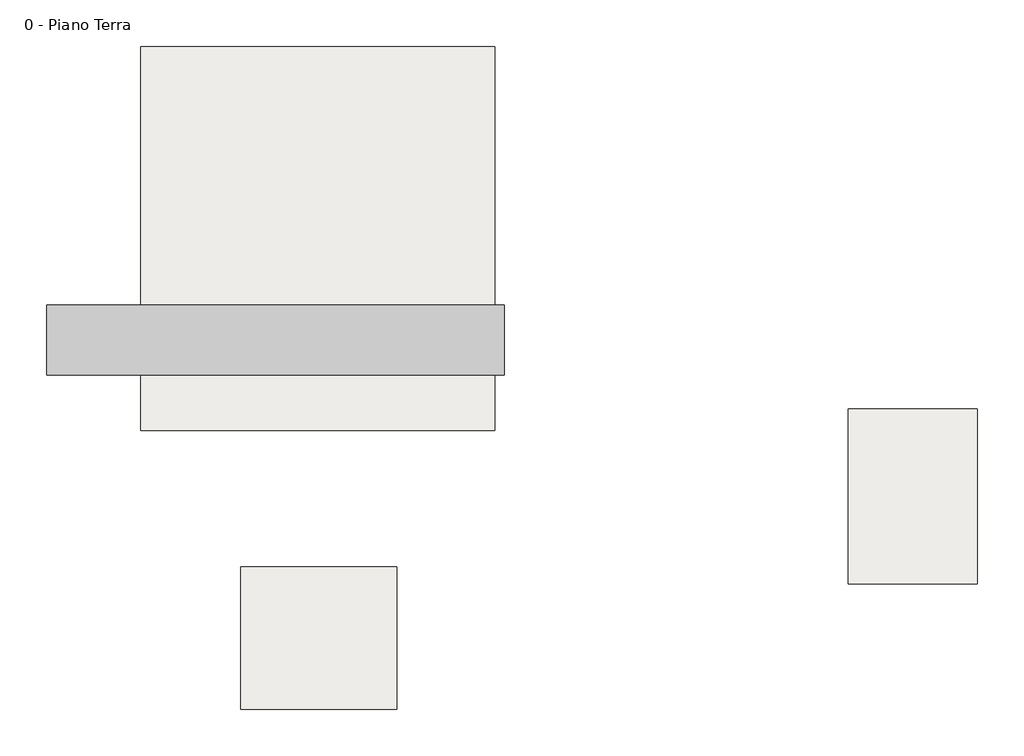
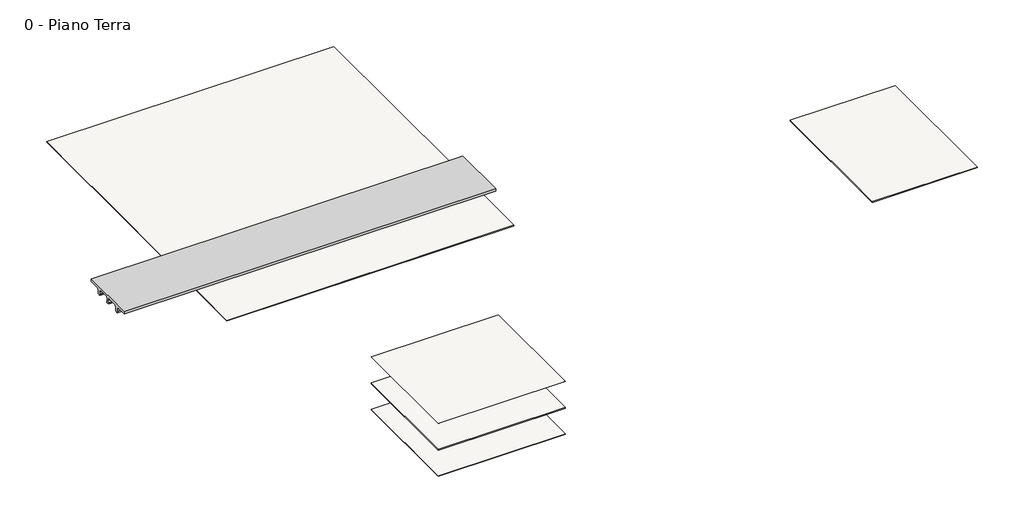
# One storey: 5 slabs, 1 proxy.
"""IFC4 building model written with IfcOpenShell, lengths in millimetres."""

import ifcopenshell
import ifcopenshell.guid

model = None  # the IFC model being written
_history = None  # IfcOwnerHistory: only IFC2X3 demands one
_inside = {}  # id of a spatial element -> (the spatial element, [elements in it])
_under = {}  # id of a project, library or spatial element -> (it, [spatial elements below it])
_declared = {}  # id of a project -> (the project, [libraries it declares])
_typed = {}  # id of a type object -> (the type object, [elements of that type])
_made_of = {}  # id of a material, layer set ... -> (it, [elements and type objects made of it])


def new_model(schema):
    """Start an empty IFC model of exactly this schema.

    Asked for "IFC4X3", IfcOpenShell would pick the latest addendum, in which some entities
    have other attributes; the version numbers below select the first issue.
    IFC2X3 requires an IfcOwnerHistory on every rooted entity: one is made here for all.
    """
    global model, _history
    if schema == "IFC4X3":
        model = ifcopenshell.file(schema_version=(4, 3, 0, 0))
    else:
        model = ifcopenshell.file(schema=schema)
    _inside.clear()
    _under.clear()
    _declared.clear()
    _typed.clear()
    _made_of.clear()
    _history = None
    if model.schema == "IFC2X3":
        org = make("IfcOrganization", Name="unknown")
        user = make(
            "IfcPersonAndOrganization",
            ThePerson=make("IfcPerson", FamilyName="unknown"),
            TheOrganization=org,
        )
        app = make(
            "IfcApplication",
            ApplicationDeveloper=org,
            Version="unknown",
            ApplicationFullName="unknown",
            ApplicationIdentifier="unknown",
        )
        _history = make(
            "IfcOwnerHistory",
            OwningUser=user,
            OwningApplication=app,
            ChangeAction="ADDED",
            CreationDate=0,
        )
    return model


def make(cls, **values):
    """One entity of the class cls with the attributes given. An attribute that is None is left unset."""
    return model.create_entity(
        cls, **{name: value for name, value in values.items() if value is not None}
    )


def rooted(cls, **values):
    """An entity with a GlobalId (a new one), such as an element, a storey or a relation."""
    return make(cls, GlobalId=ifcopenshell.guid.new(), OwnerHistory=_history, **values)


def si_unit(unit_type, name, prefix=None):
    """IfcSIUnit, for example si_unit("LENGTHUNIT", "METRE", prefix="MILLI")."""
    return make("IfcSIUnit", UnitType=unit_type, Prefix=prefix, Name=name)


def assignment(units):
    """IfcUnitAssignment: the units of a project."""
    return None if units is None else make("IfcUnitAssignment", Units=units)


def point(xyz):
    """IfcCartesianPoint."""
    return None if xyz is None else make("IfcCartesianPoint", Coordinates=xyz)


def direction(xyz):
    """IfcDirection."""
    return None if xyz is None else make("IfcDirection", DirectionRatios=xyz)


def frame(location, z_axis=None, x_axis=None):
    """IfcAxis2Placement3D, a coordinate frame: its origin and axes. An axis left out is left unset."""
    return make(
        "IfcAxis2Placement3D",
        Location=point(location),
        Axis=direction(z_axis),
        RefDirection=direction(x_axis),
    )


def origin():
    """The frame at (0, 0, 0) with its axes left unset."""
    return frame((0.0, 0.0, 0.0))


def place(relative_to, where):
    """IfcLocalPlacement: puts the frame where relative to a parent placement (None: the world)."""
    return make(
        "IfcLocalPlacement", PlacementRelTo=relative_to, RelativePlacement=where
    )


def context(
    kind, dimensions, precision=None, world=None, true_north=None, identifier=None
):
    """IfcGeometricRepresentationContext, for example the 3D "Model" context."""
    return make(
        "IfcGeometricRepresentationContext",
        ContextIdentifier=identifier,
        ContextType=kind,
        CoordinateSpaceDimension=dimensions,
        Precision=precision,
        WorldCoordinateSystem=world,
        TrueNorth=true_north,
    )


def project(units=None, contexts=None):
    """IfcProject with its units and contexts."""
    return rooted(
        "IfcProject",
        Name="project",
        RepresentationContexts=contexts,
        UnitsInContext=assignment(units),
    )


def spatial(cls, under=None, at=None, **own):
    """A site, building, storey or space (cls), placed at a placement, below another one or the project."""
    s = rooted(cls, ObjectPlacement=at, **own)
    if under is not None:
        _under.setdefault(under.id(), (under, []))[1].append(s)
    return s


def polyline(points):
    """IfcPolyline through the points."""
    return make("IfcPolyline", Points=[point(p) for p in points])


def outline(outer, holes=None, kind="AREA"):
    """IfcArbitraryClosedProfileDef: a profile drawn as a closed curve; with holes, ...WithVoids."""
    if holes is None:
        return make("IfcArbitraryClosedProfileDef", ProfileType=kind, OuterCurve=outer)
    return make(
        "IfcArbitraryProfileDefWithVoids",
        ProfileType=kind,
        OuterCurve=outer,
        InnerCurves=holes,
    )


def extrude(swept, where, along, depth):
    """IfcExtrudedAreaSolid: the profile swept, set in the frame where, extruded along a direction by depth."""
    return make(
        "IfcExtrudedAreaSolid",
        SweptArea=swept,
        Position=where,
        ExtrudedDirection=direction(along),
        Depth=depth,
    )


def shape(context_of_items, identifier, shape_type, items):
    """IfcShapeRepresentation: the items that make up one representation, for example the "Body"."""
    return make(
        "IfcShapeRepresentation",
        ContextOfItems=context_of_items,
        RepresentationIdentifier=identifier,
        RepresentationType=shape_type,
        Items=items,
    )


def source(mapping_origin, context_of_items, identifier, shape_type, items):
    """IfcRepresentationMap: a shape defined once, which mapped items show again and again."""
    return make(
        "IfcRepresentationMap",
        MappingOrigin=mapping_origin,
        MappedRepresentation=shape(context_of_items, identifier, shape_type, items),
    )


def transform(
    local_origin,
    x_axis=None,
    y_axis=None,
    z_axis=None,
    scale=None,
    scale2=None,
    scale3=None,
    uniform=True,
):
    """IfcCartesianTransformationOperator3D, or its non-uniform kind. x_axis, y_axis, z_axis: its Axis1, 2, 3."""
    if uniform:
        return make(
            "IfcCartesianTransformationOperator3D",
            Axis1=direction(x_axis),
            Axis2=direction(y_axis),
            LocalOrigin=point(local_origin),
            Scale=scale,
            Axis3=direction(z_axis),
        )
    return make(
        "IfcCartesianTransformationOperator3DnonUniform",
        Axis1=direction(x_axis),
        Axis2=direction(y_axis),
        LocalOrigin=point(local_origin),
        Scale=scale,
        Axis3=direction(z_axis),
        Scale2=scale2,
        Scale3=scale3,
    )


def mapped(mapping_source, mapping_target):
    """IfcMappedItem: shows the shape of a source again, moved by a transform."""
    return make(
        "IfcMappedItem", MappingSource=mapping_source, MappingTarget=mapping_target
    )


def made_of(thing, what):
    """Note that an element or type object is made of a material, layer set ...; save() writes the relation."""
    if what is not None:
        _made_of.setdefault(what.id(), (what, []))[1].append(thing)
    return thing


def element(
    cls,
    number,
    at=None,
    inside=None,
    cuts=None,
    type_object=None,
    material=None,
    context=None,
    identifier="Body",
    shape_type=None,
    held_by="IfcProductDefinitionShape",
    body=None,
    shapes=None,
    **own,
):
    """One element of the class cls, such as IfcWall. Its Tag is "e" and its number.

    at: its placement. inside: the storey or other place that contains it. cuts: it is an
    opening in that element (IfcRelVoidsElement). A single representation is given by context,
    identifier, shape_type and body (its items); several are given by shapes. held_by: the class
    of the entity that holds the representations. save() writes the other relations.
    """
    e = rooted(cls, Tag="e%d" % number, ObjectPlacement=at, **own)
    if body is not None:
        shapes = [shape(context, identifier, shape_type, body)]
    if shapes is not None:
        e.Representation = make(held_by, Representations=shapes)
    if inside is not None:
        _inside.setdefault(inside.id(), (inside, []))[1].append(e)
    if cuts is not None:
        rooted(
            "IfcRelVoidsElement", RelatingBuildingElement=cuts, RelatedOpeningElement=e
        )
    if type_object is not None:
        _typed.setdefault(type_object.id(), (type_object, []))[1].append(e)
    return made_of(e, material)


def aggregate(whole, parts):
    """IfcRelAggregates: a whole, such as a stair, and the parts it consists of."""
    return rooted("IfcRelAggregates", RelatingObject=whole, RelatedObjects=parts)


def save(model, path):
    """Write the relations noted so far, then the file.

    IfcRelAggregates (storeys below a building ...), IfcRelContainedInSpatialStructure (elements
    in a storey), IfcRelDefinesByType, IfcRelAssociatesMaterial and IfcRelDeclares: one each for
    every whole, place, type object, material and project.
    """
    for whole, parts in _under.values():
        aggregate(whole, parts)
    for where, things in _inside.values():
        rooted(
            "IfcRelContainedInSpatialStructure",
            RelatedElements=things,
            RelatingStructure=where,
        )
    for kind, things in _typed.values():
        rooted("IfcRelDefinesByType", RelatedObjects=things, RelatingType=kind)
    for what, things in _made_of.values():
        rooted("IfcRelAssociatesMaterial", RelatedObjects=things, RelatingMaterial=what)
    for by, libraries in _declared.values():
        rooted("IfcRelDeclares", RelatingContext=by, RelatedDefinitions=libraries)
    model.write(path)


def generic_models_1f5d59e9(model_context):
    return source(origin(), model_context, "Body", "SweptSolid", [
        extrude(outline(polyline([(11994.5031943, 200.0), (11974.5031943, 120.0), (11974.5031943, 50.0), (11986.5031943, 50.0), (11986.5031943, 10.0), (11882.5031943, 10.0), (11882.5031943, 49.9310943), (11894.5031943, 49.9310943), (11894.5031943, 119.9310943), (11873.8876661, 202.3932068), (11505.0166413, 202.3932068), (11484.4183395, 120.0), (11484.4183395, 50.0), (11496.4183395, 50.0), (11496.4183395, 10.0), (11392.4183395, 10.0), (11392.4183395, 49.9310943), (11404.4183395, 49.9310943), (11404.4183395, 119.9310943), (11383.8028114, 202.3932068), (11014.9317865, 202.3932068), (10994.3334848, 120.0), (10994.3334848, 50.0), (11006.3334848, 50.0), (11006.3334848, 10.0), (10902.3334848, 10.0), (10902.3334848, 49.9310943), (10914.3334848, 49.9310943), (10914.3334848, 119.9310943), (10893.7179567, 202.3932068), (10524.8469318, 202.3932068), (10524.8469318, 290.0), (12364.588049, 290.0), (12364.588049, 200.0), (11994.5031943, 200.0)])), frame((-7476.7066252, 0.0, 0.0), z_axis=(1.0, 0.0, 0.0), x_axis=(0.0, 1.0, 0.0)), (0.0, 0.0, 1.0), 12026.8238549),
    ])


model = new_model("IFC4")

# Units and contexts
model_context = context("Model", 3, world=origin())
ifc_project = project(units=[si_unit("LENGTHUNIT", "METRE", prefix="MILLI")], contexts=[model_context])

# Site, building, storey
site = spatial("IfcSite", under=ifc_project)
building = spatial("IfcBuilding", under=site)
storey = spatial("IfcBuildingStorey", under=building, Name="0 - Piano Terra", Elevation=0.0)

# Proxy
placement = place(None, origin())
generic_models_shape = generic_models_1f5d59e9(model_context)
element("IfcBuildingElementProxy", 1, Name="Generic Models", at=placement, inside=storey, context=model_context, shape_type="MappedRepresentation", body=[
    mapped(generic_models_shape, transform((0.0, 0.0, 0.0), x_axis=(1.0, 0.0, 0.0), y_axis=(0.0, 1.0, 0.0), z_axis=(0.0, 0.0, 1.0))),
])

# Slabs
element("IfcSlab", 2, at=placement, inside=storey, context=model_context, shape_type="SweptSolid", body=[
    extrude(outline(polyline([(4300.1172297, 19167.1277282), (4300.1172297, 9067.1277282), (-4999.8827703, 9067.1277282), (-4999.8827703, 19167.1277282), (4300.1172297, 19167.1277282)])), frame((0.0, 0.0, -25.0), z_axis=(0.0, 0.0, 1.0), x_axis=(1.0, 0.0, 0.0)), (0.0, 0.0, 1.0), 25.0),
])
element("IfcSlab", 3, at=placement, inside=storey, context=model_context, shape_type="SweptSolid", body=[
    extrude(outline(polyline([(1730.4957499, 5485.7872902), (1730.4957499, 1738.4970232), (-2377.4805744, 1738.4970232), (-2377.4805744, 5485.7872902), (1730.4957499, 5485.7872902)])), frame((0.0, 0.0, -5.0), z_axis=(0.0, 0.0, 1.0), x_axis=(1.0, 0.0, 0.0)), (0.0, 0.0, 1.0), 5.0),
])
element("IfcSlab", 4, at=placement, inside=storey, context=model_context, shape_type="SweptSolid", body=[
    extrude(outline(polyline([(1730.4957499, 5485.7872902), (1730.4957499, 1738.4970232), (-2377.4805744, 1738.4970232), (-2377.4805744, 5485.7872902), (1730.4957499, 5485.7872902)])), frame((0.0, 0.0, -930.0), z_axis=(0.0, 0.0, 1.0), x_axis=(1.0, 0.0, 0.0)), (0.0, 0.0, 1.0), 30.0),
])
element("IfcSlab", 5, at=placement, inside=storey, context=model_context, shape_type="SweptSolid", body=[
    extrude(outline(polyline([(1730.4957499, 5485.7872902), (1730.4957499, 1738.4970232), (-2377.4805744, 1738.4970232), (-2377.4805744, 5485.7872902), (1730.4957499, 5485.7872902)])), frame((0.0, 0.0, -1820.0), z_axis=(0.0, 0.0, 1.0), x_axis=(1.0, 0.0, 0.0)), (0.0, 0.0, 1.0), 20.0),
])
element("IfcSlab", 6, at=placement, inside=storey, context=model_context, shape_type="SweptSolid", body=[
    extrude(outline(polyline([(16986.0302046, 9635.646849), (16986.0302046, 5035.646849), (13586.0302046, 5035.646849), (13586.0302046, 9635.646849), (16986.0302046, 9635.646849)])), frame((0.0, 0.0, -25.0), z_axis=(0.0, 0.0, 1.0), x_axis=(1.0, 0.0, 0.0)), (0.0, 0.0, 1.0), 25.0),
])

save(model, "model.ifc")
